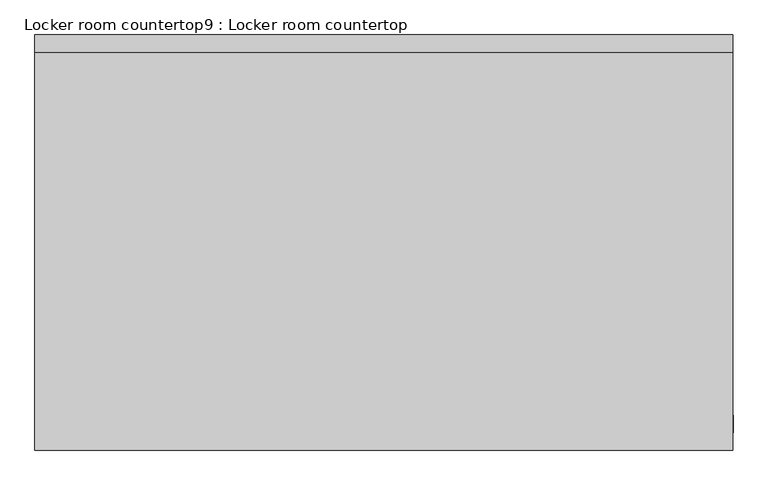
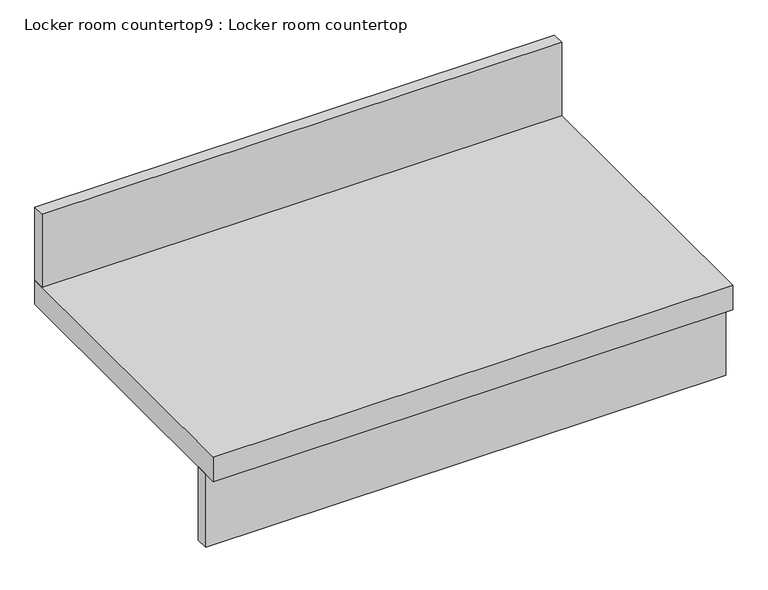
"""IFC4 building model written with IfcOpenShell, lengths in millimetres: furniture geometry, Locker room countertop9 : Locker room countertop."""

from ifc_helpers import new_model, si_unit, frame, origin, place, context, project, spatial, polyline, outline, extrude, source, transform, mapped, element, save


def locker_room_countertop9_locker_room_countertop_bdc8d585(model_context):
    return source(origin(), model_context, "Body", "SweptSolid", [
        extrude(outline(polyline([(324691.2769212, -322135.3233948), (323666.043053, -322135.3233948), (323666.043053, -322109.9233948), (324691.2769212, -322109.9233948), (324691.2769212, -322135.3233948)])), frame((0.0, 0.0, 660.4), z_axis=(0.0, 0.0, 1.0), x_axis=(1.0, 0.0, 0.0)), (0.0, 0.0, 1.0), 152.4),
        extrude(outline(polyline([(323666.043053, -321576.5233948), (323666.043053, -321551.1233948), (324690.4728668, -321551.1233948), (324690.4728668, -321576.5233948), (323666.043053, -321576.5233948)])), frame((0.0, 0.0, 863.6), z_axis=(0.0, 0.0, 1.0), x_axis=(1.0, 0.0, 0.0)), (0.0, 0.0, 1.0), 152.4),
        extrude(outline(polyline([(323666.043053, -322160.7233948), (323666.043053, -321551.1233948), (324690.4728668, -321551.1233948), (324690.4728668, -322160.7233948), (323666.043053, -322160.7233948)])), frame((0.0, 0.0, 812.8), z_axis=(0.0, 0.0, 1.0), x_axis=(1.0, 0.0, 0.0)), (0.0, 0.0, 1.0), 50.8),
    ])


if __name__ == "__main__":
    model = new_model("IFC4")
    model_context = context("Model", 3, world=origin())
    ifc_project = project(units=[si_unit("LENGTHUNIT", "METRE", prefix="MILLI")], contexts=[model_context])
    site = spatial("IfcSite", under=ifc_project)
    building = spatial("IfcBuilding", under=site)
    placement = place(None, origin())
    locker_room_countertop9_locker_room_countertop_shape = locker_room_countertop9_locker_room_countertop_bdc8d585(model_context)
    element("IfcFurniture", 1, ObjectType="Locker room countertop9 : Locker room countertop", at=placement, inside=building, context=model_context, shape_type="MappedRepresentation", body=[
        mapped(locker_room_countertop9_locker_room_countertop_shape, transform((0.0, 0.0, 0.0), x_axis=(1.0, 0.0, 0.0), y_axis=(0.0, 1.0, 0.0), z_axis=(0.0, 0.0, 1.0))),
    ])
    save(model, "model.ifc")
